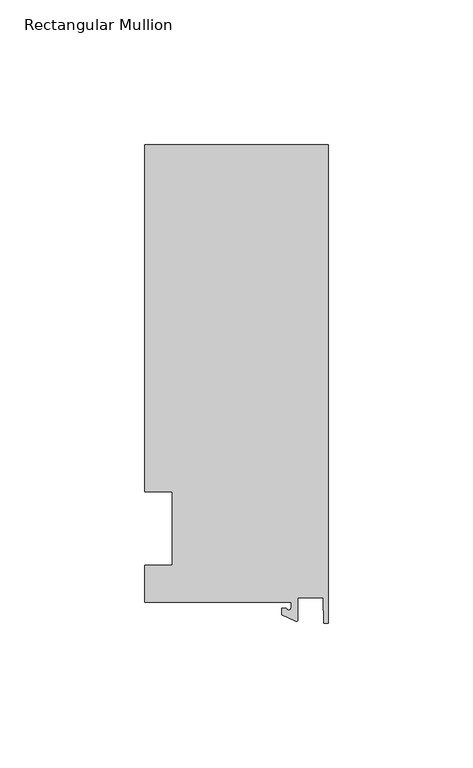
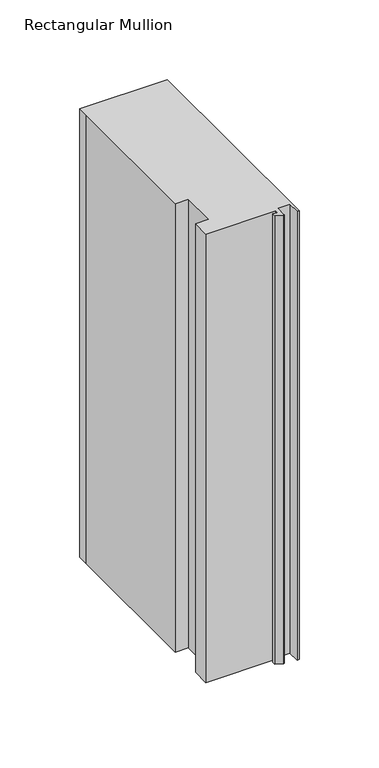
"""IFC4 building model written with IfcOpenShell, lengths in millimetres: member geometry, Rectangular Mullion."""

from ifc_helpers import new_model, si_unit, point, frame, frame_2d, origin, place, context, project, spatial, polyline, circle_curve, trimmed, segment, composite_curve, outline, extrude, source, transform, mapped, element, save


def rectangular_mullion_355859e5(model_context):
    return source(origin(), model_context, "Body", "SweptSolid", [
        extrude(outline(composite_curve([segment(polyline([(-12.8216721, -25.5984375), (-63.5, -25.5984375), (-63.5, -12.7), (-53.975, -12.7), (-53.975, 12.7), (-63.5, 12.7), (-63.5, 125.075512), (-63.5, 132.822512), (0.0, 132.822512), (0.0, -32.810012), (-1.5566453, -32.810012), (-1.7144124, -23.9227662), (-10.4340721, -23.9227662), (-10.4340721, -31.6795354)]), True, "CONTINUOUS"), segment(trimmed(circle_curve(frame_2d((-10.9420721, -31.6795354)), 0.508), [point((-10.4340721, -31.6795354))], [point((-11.1567622, -32.1399398))], False, "CARTESIAN"), True, "CONTINUOUS"), segment(polyline([(-11.1567622, -32.1399398), (-15.9966721, -29.8830527), (-15.9966721, -27.5208534), (-14.4091721, -27.5208534)]), True, "CONTINUOUS"), segment(trimmed(circle_curve(frame_2d((-13.6154221, -27.5208534)), 0.79375), [point((-14.4091721, -27.5208534))], [point((-12.8216721, -27.5208534))], True, "CARTESIAN"), True, "CONTINUOUS"), segment(polyline([(-12.8216721, -27.5208534), (-12.8216721, -25.5984375)]), True, "CONTINUOUS")], self_intersect=False)), frame((0.0, 0.0, -343.7449447), z_axis=(0.0, 0.0, 1.0), x_axis=(1.0, 0.0, 0.0)), (0.0, 0.0, 1.0), 343.7449447),
    ])


if __name__ == "__main__":
    model = new_model("IFC4")
    model_context = context("Model", 3, world=origin())
    ifc_project = project(units=[si_unit("LENGTHUNIT", "METRE", prefix="MILLI")], contexts=[model_context])
    site = spatial("IfcSite", under=ifc_project)
    building = spatial("IfcBuilding", under=site)
    placement = place(None, origin())
    rectangular_mullion_shape = rectangular_mullion_355859e5(model_context)
    element("IfcMember", 1, ObjectType="Rectangular Mullion", at=placement, inside=building, context=model_context, shape_type="MappedRepresentation", body=[
        mapped(rectangular_mullion_shape, transform((0.0, 0.0, 0.0), x_axis=(1.0, 0.0, 0.0), y_axis=(0.0, 1.0, 0.0), z_axis=(0.0, 0.0, 1.0))),
    ])
    save(model, "model.ifc")
